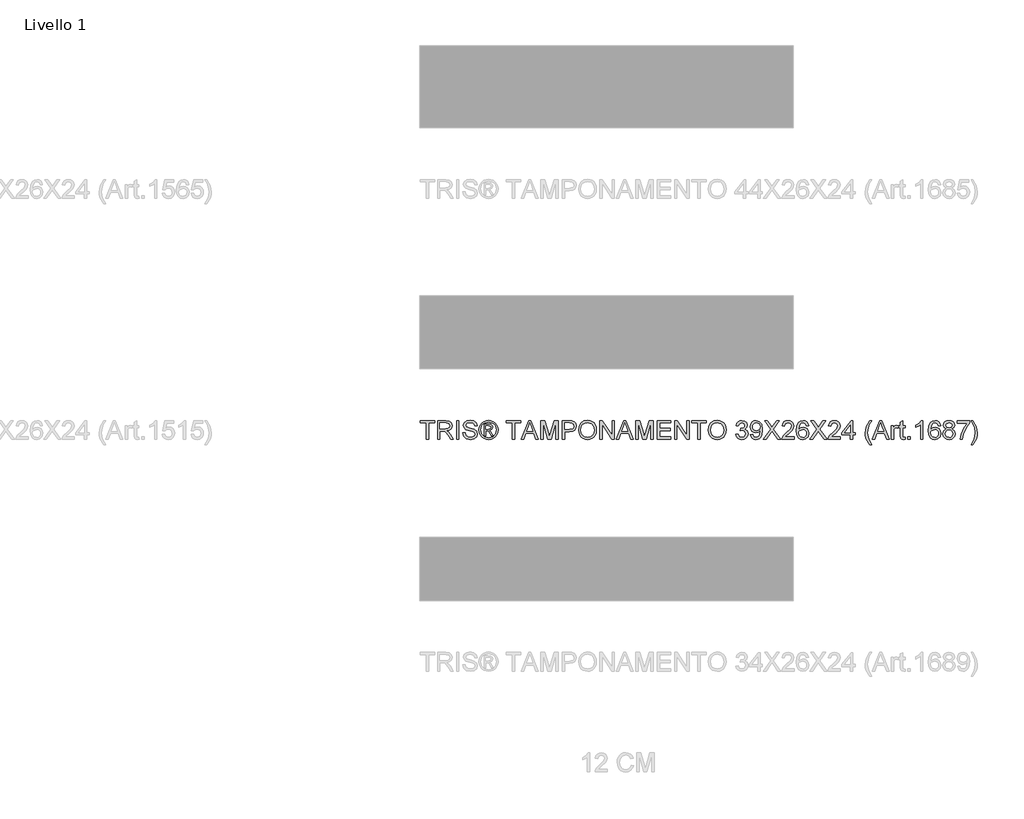
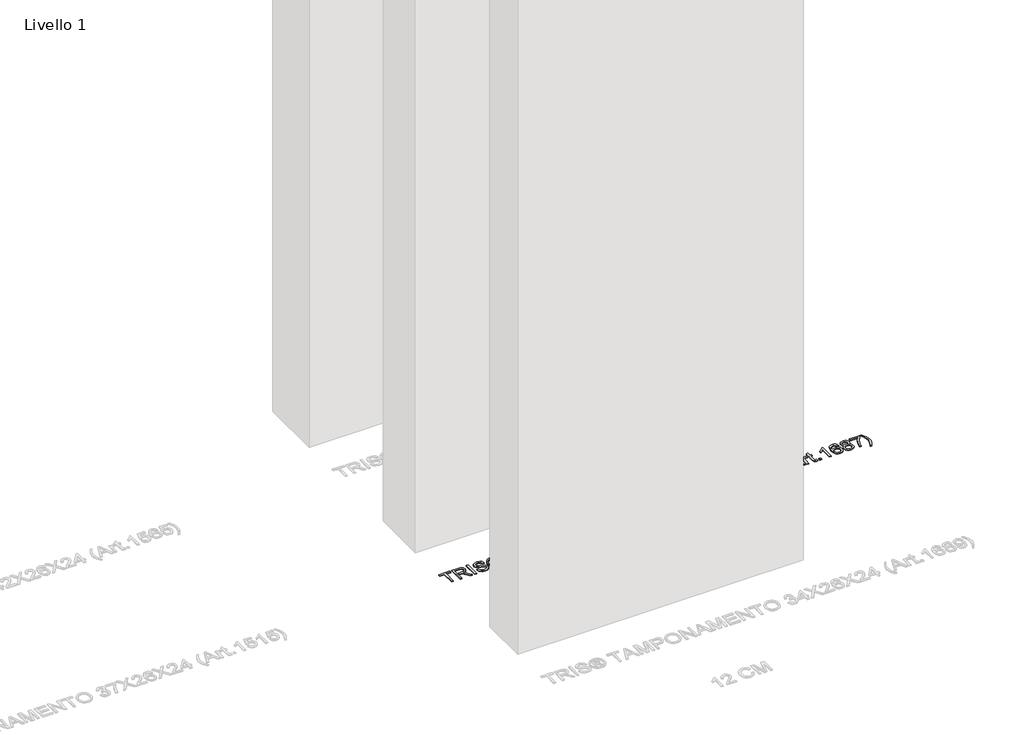
# One storey, part 15 of 16: 1 proxy.
"""IFC4 building model written with IfcOpenShell, lengths in millimetres."""

from ifc_helpers import new_model, si_unit, origin, origin_with_axes, place, context, project, spatial, polyline, outline, extrude, element, save

model = new_model("IFC4")

# Units and contexts
model_context = context("Model", 3, world=origin())
ifc_project = project(units=[si_unit("LENGTHUNIT", "METRE", prefix="MILLI")], contexts=[model_context])

# Site, building, storey
site = spatial("IfcSite", under=ifc_project)
building = spatial("IfcBuilding", under=site)
storey = spatial("IfcBuildingStorey", under=building, Name="Livello 1", Elevation=0.0)

# Proxy
placement = place(None, origin())
element("IfcBuildingElementProxy", 1, Name="100", ObjectType="100", at=placement, inside=storey, context=model_context, shape_type="SweptSolid", body=[
    extrude(outline(polyline([(2625.2646003, 5999.0708569), (2625.2646003, 6086.9701283), (2592.3023735, 6086.9701283), (2592.3023735, 6099.527167), (2670.7838658, 6099.527167), (2670.7838658, 6086.9701283), (2637.8216391, 6086.9701283), (2637.8216391, 5999.0708569), (2625.2646003, 5999.0708569)])), origin_with_axes(), (0.0, 0.0, 1.0), 5.0),
    extrude(outline(polyline([(2684.9105345, 5999.0708569), (2684.9105345, 6099.527167), (2728.1979826, 6099.527167), (2748.2966022, 6096.817103), (2759.2840112, 6087.2276457), (2763.3920268, 6072.0341193), (2761.6905725, 6062.1380936), (2756.5862099, 6053.9343251), (2747.9256546, 6047.9194545), (2735.5556225, 6044.5901224), (2742.6925332, 6039.2190453), (2752.8706017, 6026.2941245), (2769.6214952, 5999.0708569), (2755.0288427, 5999.0708569), (2741.9567692, 6019.8929778), (2732.5144646, 6033.6762899), (2725.880326, 6040.1878012), (2719.9083749, 6042.5790342), (2712.6243114, 6043.0204926), (2697.4675732, 6043.0204926), (2697.4675732, 5999.0708569), (2684.9105345, 5999.0708569)]), holes=[polyline([(2697.4675732, 6055.5775314), (2725.5737577, 6055.5775314), (2739.9088927, 6057.3556277), (2748.0513476, 6063.0455359), (2750.834988, 6071.5681354), (2745.5252245, 6082.6291207), (2728.7375428, 6086.9701283), (2697.4675732, 6086.9701283), (2697.4675732, 6055.5775314)])]), origin_with_axes(), (0.0, 0.0, 1.0), 5.0),
    extrude(outline(polyline([(2786.9364745, 5999.0708569), (2786.9364745, 6099.527167), (2799.4935132, 6099.527167), (2799.4935132, 5999.0708569), (2786.9364745, 5999.0708569)])), origin_with_axes(), (0.0, 0.0, 1.0), 5.0),
    extrude(outline(polyline([(2819.8987012, 6033.6027135), (2832.45574, 6033.6027135), (2836.5024419, 6021.033412), (2846.3862049, 6013.0871609), (2861.4448412, 6010.0582658), (2874.5659657, 6012.3513969), (2883.0395143, 6018.6544418), (2885.8231548, 6027.0789395), (2883.7384901, 6034.914826), (2875.2036278, 6040.6169969), (2856.9198927, 6045.4117256), (2837.2382059, 6051.6044058), (2826.5573653, 6060.9486085), (2823.0379609, 6073.4320709), (2827.3912312, 6087.6445786), (2840.1076855, 6097.6754943), (2858.7225144, 6101.0967969), (2878.5881422, 6097.5160788), (2891.831894, 6086.9946537), (2896.8105637, 6071.2738298), (2884.2535249, 6071.2738298), (2881.9481311, 6078.7663598), (2877.1411397, 6084.1742251), (2859.2130238, 6088.5397581), (2841.2358569, 6084.2232761), (2835.5949997, 6073.7999529), (2839.5926507, 6065.0934123), (2860.0959406, 6058.0791289), (2882.3160131, 6051.7760841), (2894.4683816, 6041.5980155), (2898.3801935, 6027.3977705), (2893.8797705, 6012.3759224), (2880.9303242, 6001.4130389), (2861.9353505, 5997.5012271), (2839.5068116, 6001.7196073), (2825.3188293, 6014.4237988), (2819.8987012, 6033.6027135)])), origin_with_axes(), (0.0, 0.0, 1.0), 5.0),
    extrude(outline(polyline([(2934.48168, 6017.9064151), (2934.48168, 6080.6916089), (2954.7642407, 6080.6916089), (2969.822877, 6078.9625635), (2977.2418306, 6072.9292988), (2980.0009455, 6063.7690371), (2975.2430051, 6051.8496605), (2962.6369154, 6046.1597523), (2967.5420086, 6042.8242889), (2976.1013964, 6030.2917756), (2983.1402052, 6017.9064151), (2972.5452038, 6017.9064151), (2967.0269738, 6027.8637544), (2957.780873, 6042.2847286), (2949.7610455, 6044.5901224), (2943.8994591, 6044.5901224), (2943.8994591, 6017.9064151), (2934.48168, 6017.9064151)]), holes=[polyline([(2943.8994591, 6054.0079015), (2955.8188357, 6054.0079015), (2967.4684322, 6056.3991345), (2970.5831664, 6062.7389675), (2969.087113, 6067.3007043), (2964.9300465, 6070.2928112), (2955.0585463, 6071.2738298), (2943.8994591, 6071.2738298), (2943.8994591, 6054.0079015)])]), origin_with_axes(), (0.0, 0.0, 1.0), 5.0),
    extrude(outline(polyline([(2958.0506531, 6101.0967969), (2970.9449171, 6099.4229338), (2983.5326127, 6094.4013446), (2994.5905323, 6086.2650211), (3002.8954684, 6075.2469554), (3008.0918015, 6062.5243697), (3009.8239126, 6049.2744865), (3008.116327, 6036.1410993), (3002.9935702, 6023.5227468), (2994.7898017, 6012.544535), (2983.839181, 6004.3315694), (2971.2300256, 5999.2088126), (2958.0506531, 5997.5012271), (2944.8896748, 5999.2088126), (2932.2866508, 6004.3315694), (2921.326833, 6012.544535), (2913.0954733, 6023.5227468), (2907.9451254, 6036.1410993), (2906.2283428, 6049.2744865), (2907.9696509, 6062.5243697), (2913.1935752, 6075.2469554), (2921.5261024, 6086.2650211), (2932.5932191, 6094.4013446), (2945.1747833, 6099.4229338), (2958.0506531, 6101.0967969)]), holes=[polyline([(2958.0506531, 6091.6790178), (2937.2285322, 6086.1975761), (2928.2000949, 6079.5358463), (2921.3728182, 6070.5135404), (2915.6461218, 6049.2744865), (2921.2624536, 6028.2193737), (2936.9832776, 6012.5353379), (2958.0506531, 6006.9190061), (2979.1302915, 6012.5353379), (2994.8143272, 6028.2193737), (3000.4061335, 6049.2744865), (2994.7162253, 6070.5135404), (2987.9073427, 6079.5358463), (2978.8605113, 6086.1975761), (2958.0506531, 6091.6790178)])]), origin_with_axes(), (0.0, 0.0, 1.0), 5.0),
    extrude(outline(polyline([(3085.1661452, 5999.0708569), (3085.1661452, 6086.9701283), (3052.2039184, 6086.9701283), (3052.2039184, 6099.527167), (3130.6854107, 6099.527167), (3130.6854107, 6086.9701283), (3097.723184, 6086.9701283), (3097.723184, 5999.0708569), (3085.1661452, 5999.0708569)])), origin_with_axes(), (0.0, 0.0, 1.0), 5.0),
    extrude(outline(polyline([(3133.1134319, 5999.0708569), (3173.2125694, 6099.527167), (3183.9056727, 6099.527167), (3224.0048102, 5999.0708569), (3210.7365329, 5999.0708569), (3199.2340892, 6030.4634538), (3157.8596275, 6030.4634538), (3146.3817092, 5999.0708569), (3133.1134319, 5999.0708569)]), holes=[polyline([(3162.4704151, 6043.0204926), (3194.647827, 6043.0204926), (3185.5979299, 6067.7176372), (3178.5591211, 6086.9701283), (3172.3051271, 6069.8758782), (3162.4704151, 6043.0204926)])]), origin_with_axes(), (0.0, 0.0, 1.0), 5.0),
    extrude(outline(polyline([(3237.4202403, 5999.0708569), (3237.4202403, 6099.527167), (3259.0271761, 6099.527167), (3279.5795169, 6028.7221457), (3283.7243207, 6013.9332895), (3288.2124811, 6029.948419), (3308.4214654, 6099.527167), (3330.0284012, 6099.527167), (3330.0284012, 5999.0708569), (3317.4713624, 5999.0708569), (3317.4713624, 6086.9701283), (3292.2346576, 5999.0708569), (3275.2139839, 5999.0708569), (3249.9772791, 6086.9701283), (3249.9772791, 5999.0708569), (3237.4202403, 5999.0708569)])), origin_with_axes(), (0.0, 0.0, 1.0), 5.0),
    extrude(outline(polyline([(3352.003219, 5999.0708569), (3352.003219, 6099.527167), (3389.232877, 6099.527167), (3404.2424624, 6098.5706739), (3416.4438819, 6093.8740471), (3424.3533448, 6084.1619624), (3427.3454517, 6070.4644894), (3425.3251664, 6058.6248206), (3419.2643105, 6048.7594517), (3407.9304794, 6042.1007876), (3390.0912683, 6039.8812329), (3364.5602578, 6039.8812329), (3364.5602578, 5999.0708569), (3352.003219, 5999.0708569)]), holes=[polyline([(3364.5602578, 6052.4382717), (3390.8270323, 6052.4382717), (3409.3192339, 6057.0490593), (3413.4211181, 6062.5979461), (3414.7884129, 6070.023031), (3411.5633141, 6080.4218288), (3403.0897654, 6086.111737), (3390.5327267, 6086.9701283), (3364.5602578, 6086.9701283), (3364.5602578, 6052.4382717)])]), origin_with_axes(), (0.0, 0.0, 1.0), 5.0),
    extrude(outline(polyline([(3439.9024904, 6047.9746368), (3443.2502166, 6070.1885779), (3453.2933951, 6086.9946537), (3468.6279429, 6097.5712611), (3487.8497771, 6101.0967969), (3501.0260839, 6099.4413279), (3512.8412273, 6094.474921), (3522.6514139, 6086.547064), (3529.81285, 6076.0072448), (3534.1906458, 6063.3643669), (3535.649911, 6049.1273337), (3534.1140037, 6034.7002281), (3529.5062817, 6021.8795406), (3522.0811968, 6011.3213273), (3512.0932006, 6003.6816446), (3500.3792248, 5999.0463314), (3487.7762007, 5997.5012271), (3474.3975588, 5999.2088126), (3462.5149704, 6004.3315694), (3452.7293093, 6012.4065792), (3445.6414496, 6022.9709239), (3439.9024904, 6047.9746368)]), holes=[polyline([(3452.4595292, 6047.8520095), (3454.9703238, 6032.1373169), (3462.5027077, 6020.162758), (3473.8242761, 6012.5843889), (3487.7026243, 6010.0582658), (3501.7833077, 6012.6089143), (3513.1232702, 6020.2608598), (3520.6004718, 6032.6033008), (3523.0928723, 6049.2254356), (3518.8254411, 6069.9494546), (3506.3542415, 6083.6714531), (3487.9233535, 6088.5397581), (3474.4159529, 6086.1945104), (3462.9319033, 6079.1587672), (3455.0776227, 6066.6415824), (3452.4595292, 6047.8520095)])]), origin_with_axes(), (0.0, 0.0, 1.0), 5.0),
    extrude(outline(polyline([(3552.9158393, 5999.0708569), (3552.9158393, 6099.527167), (3566.3557949, 6099.527167), (3618.8402929, 6019.9420288), (3618.8402929, 6099.527167), (3631.3973317, 6099.527167), (3631.3973317, 5999.0708569), (3617.9573761, 5999.0708569), (3565.4728781, 6078.6805207), (3565.4728781, 5999.0708569), (3552.9158393, 5999.0708569)])), origin_with_axes(), (0.0, 0.0, 1.0), 5.0),
    extrude(outline(polyline([(3641.673502, 5999.0708569), (3681.7726395, 6099.527167), (3692.4657429, 6099.527167), (3732.5648803, 5999.0708569), (3719.296603, 5999.0708569), (3707.7941593, 6030.4634538), (3666.4196976, 6030.4634538), (3654.9417793, 5999.0708569), (3641.673502, 5999.0708569)]), holes=[polyline([(3671.0304853, 6043.0204926), (3703.2078971, 6043.0204926), (3694.158, 6067.7176372), (3687.1191912, 6086.9701283), (3680.8651973, 6069.8758782), (3671.0304853, 6043.0204926)])]), origin_with_axes(), (0.0, 0.0, 1.0), 5.0),
    extrude(outline(polyline([(3745.9803104, 5999.0708569), (3745.9803104, 6099.527167), (3767.5872463, 6099.527167), (3788.1395871, 6028.7221457), (3792.2843909, 6013.9332895), (3796.7725512, 6029.948419), (3816.9815355, 6099.527167), (3838.5884713, 6099.527167), (3838.5884713, 5999.0708569), (3826.0314326, 5999.0708569), (3826.0314326, 6086.9701283), (3800.7947277, 5999.0708569), (3783.7740541, 5999.0708569), (3758.5373492, 6086.9701283), (3758.5373492, 5999.0708569), (3745.9803104, 5999.0708569)])), origin_with_axes(), (0.0, 0.0, 1.0), 5.0),
    extrude(outline(polyline([(3860.5632892, 5999.0708569), (3860.5632892, 6099.527167), (3932.7662621, 6099.527167), (3932.7662621, 6086.9701283), (3873.1203279, 6086.9701283), (3873.1203279, 6057.1471612), (3929.6270024, 6057.1471612), (3929.6270024, 6044.5901224), (3873.1203279, 6044.5901224), (3873.1203279, 6011.6278957), (3934.3358919, 6011.6278957), (3934.3358919, 5999.0708569), (3860.5632892, 5999.0708569)])), origin_with_axes(), (0.0, 0.0, 1.0), 5.0),
    extrude(outline(polyline([(3953.1714501, 5999.0708569), (3953.1714501, 6099.527167), (3966.6114057, 6099.527167), (4019.0959036, 6019.9420288), (4019.0959036, 6099.527167), (4031.6529424, 6099.527167), (4031.6529424, 5999.0708569), (4018.2129868, 5999.0708569), (3965.7284889, 6078.6805207), (3965.7284889, 5999.0708569), (3953.1714501, 5999.0708569)])), origin_with_axes(), (0.0, 0.0, 1.0), 5.0),
    extrude(outline(polyline([(4078.7418378, 5999.0708569), (4078.7418378, 6086.9701283), (4045.779611, 6086.9701283), (4045.779611, 6099.527167), (4124.2611033, 6099.527167), (4124.2611033, 6086.9701283), (4091.2988766, 6086.9701283), (4091.2988766, 5999.0708569), (4078.7418378, 5999.0708569)])), origin_with_axes(), (0.0, 0.0, 1.0), 5.0),
    extrude(outline(polyline([(4133.6788824, 6047.9746368), (4137.0266086, 6070.1885779), (4147.069787, 6086.9946537), (4162.4043349, 6097.5712611), (4181.6261691, 6101.0967969), (4194.8024759, 6099.4413279), (4206.6176193, 6094.474921), (4216.4278058, 6086.547064), (4223.589242, 6076.0072448), (4227.9670378, 6063.3643669), (4229.426303, 6049.1273337), (4227.8903957, 6034.7002281), (4223.2826737, 6021.8795406), (4215.8575888, 6011.3213273), (4205.8695926, 6003.6816446), (4194.1556167, 5999.0463314), (4181.5525927, 5997.5012271), (4168.1739508, 5999.2088126), (4156.2913624, 6004.3315694), (4146.5057013, 6012.4065792), (4139.4178415, 6022.9709239), (4133.6788824, 6047.9746368)]), holes=[polyline([(4146.2359212, 6047.8520095), (4148.7467158, 6032.1373169), (4156.2790996, 6020.162758), (4167.600668, 6012.5843889), (4181.4790163, 6010.0582658), (4195.5596997, 6012.6089143), (4206.8996622, 6020.2608598), (4214.3768637, 6032.6033008), (4216.8692642, 6049.2254356), (4212.6018331, 6069.9494546), (4200.1306335, 6083.6714531), (4181.6997455, 6088.5397581), (4168.1923449, 6086.1945104), (4156.7082953, 6079.1587672), (4148.8540147, 6066.6415824), (4146.2359212, 6047.8520095)])]), origin_with_axes(), (0.0, 0.0, 1.0), 5.0),
    extrude(outline(polyline([(4281.2240879, 6025.7545643), (4293.7811267, 6027.3241941), (4300.7095709, 6014.1049678), (4313.6712799, 6010.0582658), (4322.2797186, 6011.450086), (4328.92612, 6015.6255467), (4334.5915027, 6029.4088588), (4328.9751709, 6042.3950932), (4314.7013495, 6047.5331784), (4305.8967071, 6046.1597523), (4307.2946587, 6058.7167911), (4309.3057469, 6058.5696383), (4323.5550428, 6062.1748818), (4328.3007206, 6066.7488813), (4329.8826132, 6073.2603926), (4325.296351, 6083.0828419), (4313.4750762, 6086.9701283), (4301.5066486, 6083.0460537), (4295.3507565, 6071.2738298), (4282.7937178, 6072.8434597), (4286.4909318, 6084.1190428), (4293.0698882, 6092.5374091), (4302.0707343, 6097.7797276), (4313.0336178, 6099.527167), (4328.1780932, 6096.081339), (4338.7730947, 6086.66356), (4342.4396519, 6073.9961566), (4338.9570357, 6062.4201365), (4328.6563398, 6054.1060034), (4342.3415501, 6045.5220902), (4347.1485415, 6029.1881296), (4344.7450458, 6016.9499219), (4337.5345587, 6006.7228024), (4326.651383, 5999.8066209), (4313.2298215, 5997.5012271), (4301.0897157, 5999.4693957), (4291.2059527, 6005.3739018), (4284.3326908, 6014.4054047), (4281.2240879, 6025.7545643)])), origin_with_axes(), (0.0, 0.0, 1.0), 5.0),
    extrude(outline(polyline([(4359.7055802, 6024.1849344), (4372.262619, 6025.7545643), (4377.9034763, 6013.773874), (4388.5965796, 6010.0582658), (4398.7623854, 6012.4494988), (4405.6540414, 6018.8383828), (4409.762057, 6029.7522153), (4411.5769416, 6044.3203423), (4411.5033652, 6046.7728889), (4401.4601867, 6037.257008), (4387.6891373, 6033.6027135), (4376.2388102, 6035.834531), (4366.7076009, 6042.5299833), (4360.278863, 6052.8735987), (4358.1359504, 6066.0499055), (4360.3830962, 6079.6615393), (4367.1245338, 6090.3301172), (4377.2504857, 6097.2279046), (4389.6511746, 6099.527167), (4407.5425023, 6094.2787173), (4419.8542864, 6079.3181828), (4424.0604039, 6051.2119983), (4419.8665492, 6020.7145809), (4414.6518219, 6010.7235191), (4407.3953495, 6003.4363899), (4398.4098318, 5998.9850178), (4388.0079684, 5997.5012271), (4377.2719455, 5999.2517322), (4368.7064264, 6004.5032477), (4362.7160812, 6012.9246797), (4359.7055802, 6024.1849344)]), holes=[polyline([(4411.5033652, 6066.3442111), (4410.1483331, 6074.8545479), (4406.0832371, 6081.4028474), (4399.7740609, 6085.5783081), (4391.6867883, 6086.9701283), (4383.2990789, 6085.4710092), (4376.5791011, 6080.9736518), (4372.1645171, 6074.0911928), (4370.6929892, 6065.4367688), (4372.0848094, 6057.6775244), (4376.26027, 6051.5185667), (4382.8147009, 6047.4994559), (4391.3434318, 6046.1597523), (4405.8257197, 6051.5185667), (4410.0839538, 6057.904385), (4411.5033652, 6066.3442111)])]), origin_with_axes(), (0.0, 0.0, 1.0), 5.0),
    extrude(outline(polyline([(4428.7692935, 5999.0708569), (4467.4950048, 6053.8116978), (4435.0478128, 6099.527167), (4450.1064492, 6099.527167), (4468.3779216, 6073.7999529), (4474.5338137, 6063.7690371), (4481.7443008, 6073.9716311), (4499.8195695, 6099.527167), (4515.098935, 6099.527167), (4482.651743, 6053.664545), (4521.3774544, 5999.0708569), (4506.318818, 5999.0708569), (4480.5180275, 6035.466649), (4475.1469503, 6043.0204926), (4469.2363129, 6034.730885), (4444.048659, 5999.0708569), (4428.7692935, 5999.0708569)])), origin_with_axes(), (0.0, 0.0, 1.0), 5.0),
    extrude(outline(polyline([(4593.5804273, 6011.6278957), (4593.5804273, 5999.0708569), (4527.6559738, 5999.0708569), (4529.0048744, 6007.7283465), (4536.6322944, 6021.0579375), (4552.3531184, 6035.6138018), (4574.0336306, 6056.5340245), (4579.4537587, 6070.758795), (4574.340199, 6082.2735015), (4560.9860825, 6086.9701283), (4547.0678804, 6082.3838661), (4541.7826424, 6069.7042), (4529.2256036, 6071.2738298), (4532.2698271, 6083.420067), (4538.8518492, 6092.2921545), (4548.6283132, 6097.7184139), (4561.2558627, 6099.527167), (4573.9753826, 6097.5160788), (4583.7334526, 6091.4828141), (4589.9414612, 6082.4697052), (4592.0107975, 6071.5190845), (4589.77898, 6059.6119706), (4582.3600264, 6047.3001865), (4564.3705969, 6030.0955718), (4549.9250972, 6018.0167797), (4544.2597145, 6011.6278957), (4593.5804273, 6011.6278957)])), origin_with_axes(), (0.0, 0.0, 1.0), 5.0),
    extrude(outline(polyline([(4670.4922898, 6072.8434597), (4657.935251, 6071.2738298), (4653.1773105, 6081.7462039), (4640.5957463, 6086.9701283), (4629.2649808, 6083.9289705), (4620.6933303, 6072.5123659), (4617.124875, 6050.1328778), (4628.198123, 6060.1515308), (4641.9201215, 6063.4256806), (4653.5206671, 6061.1877318), (4663.2572772, 6054.4738854), (4669.860759, 6044.2161091), (4672.0619196, 6031.3463706), (4667.9171158, 6014.0191286), (4656.5127739, 6001.7563955), (4640.056186, 5997.5012271), (4625.8099558, 6000.3216557), (4614.4638619, 6008.7829416), (4607.0418426, 6023.7189506), (4604.5678362, 6045.9635486), (4607.3146885, 6070.9733929), (4615.5552451, 6088.0737743), (4626.8063028, 6096.6638189), (4641.3805612, 6099.527167), (4652.398627, 6097.7552021), (4661.2216635, 6092.4393073), (4667.402081, 6083.9964155), (4670.4922898, 6072.8434597)]), holes=[polyline([(4617.124875, 6031.5425743), (4620.0311428, 6020.66553), (4627.7566647, 6012.7683299), (4639.0751674, 6010.0582658), (4647.3617093, 6011.4623488), (4653.8762863, 6015.6745976), (4658.0977322, 6022.2964735), (4659.5048808, 6030.9294377), (4658.1161263, 6039.2159796), (4653.9498627, 6045.5343529), (4647.3249211, 6049.5350696), (4638.5601326, 6050.8686418), (4623.3666062, 6045.5343529), (4618.6853078, 6039.3692638), (4617.124875, 6031.5425743)])]), origin_with_axes(), (0.0, 0.0, 1.0), 5.0),
    extrude(outline(polyline([(4676.7708091, 5999.0708569), (4715.4965205, 6053.8116978), (4683.0493285, 6099.527167), (4698.1079649, 6099.527167), (4716.3794373, 6073.7999529), (4722.5353293, 6063.7690371), (4729.7458165, 6073.9716311), (4747.8210851, 6099.527167), (4763.1004507, 6099.527167), (4730.6532587, 6053.664545), (4769.3789701, 5999.0708569), (4754.3203337, 5999.0708569), (4728.5195431, 6035.466649), (4723.148466, 6043.0204926), (4717.2378286, 6034.730885), (4692.0501747, 5999.0708569), (4676.7708091, 5999.0708569)])), origin_with_axes(), (0.0, 0.0, 1.0), 5.0),
    extrude(outline(polyline([(4841.581943, 6011.6278957), (4841.581943, 5999.0708569), (4775.6574894, 5999.0708569), (4777.0063901, 6007.7283465), (4784.6338101, 6021.0579375), (4800.3546341, 6035.6138018), (4822.0351463, 6056.5340245), (4827.4552744, 6070.758795), (4822.3417146, 6082.2735015), (4808.9875982, 6086.9701283), (4795.0693961, 6082.3838661), (4789.7841581, 6069.7042), (4777.2271193, 6071.2738298), (4780.2713428, 6083.420067), (4786.8533648, 6092.2921545), (4796.6298289, 6097.7184139), (4809.2573783, 6099.527167), (4821.9768983, 6097.5160788), (4831.7349682, 6091.4828141), (4837.9429769, 6082.4697052), (4840.0123131, 6071.5190845), (4837.7804957, 6059.6119706), (4830.3615421, 6047.3001865), (4812.3721126, 6030.0955718), (4797.9266129, 6018.0167797), (4792.2612302, 6011.6278957), (4841.581943, 6011.6278957)])), origin_with_axes(), (0.0, 0.0, 1.0), 5.0),
    extrude(outline(polyline([(4894.9493578, 5999.0708569), (4894.9493578, 6022.6153046), (4849.4300922, 6022.6153046), (4849.4300922, 6035.1723434), (4898.0886174, 6097.9575372), (4907.5063965, 6097.9575372), (4907.5063965, 6035.1723434), (4920.0634353, 6035.1723434), (4920.0634353, 6022.6153046), (4907.5063965, 6022.6153046), (4907.5063965, 5999.0708569), (4894.9493578, 5999.0708569)]), holes=[polyline([(4894.9493578, 6035.1723434), (4894.9493578, 6073.9716311), (4864.881136, 6035.1723434), (4894.9493578, 6035.1723434)])]), origin_with_axes(), (0.0, 0.0, 1.0), 5.0),
    extrude(outline(polyline([(4998.5449276, 5970.8175197), (4980.7149136, 6000.2726048), (4975.2518659, 6017.4526939), (4973.4308501, 6035.2459198), (4978.8755036, 6065.7801254), (4998.5449276, 6099.527167), (5007.9627067, 6099.527167), (4996.2150083, 6079.6370138), (4989.151674, 6060.3599973), (4985.9878888, 6035.1723434), (4991.4815933, 6002.9826688), (5007.9627067, 5970.8175197), (4998.5449276, 5970.8175197)])), origin_with_axes(), (0.0, 0.0, 1.0), 5.0),
    extrude(outline(polyline([(5010.3907278, 5999.0708569), (5050.4898653, 6099.527167), (5061.1829686, 6099.527167), (5101.2821061, 5999.0708569), (5088.0138288, 5999.0708569), (5076.5113851, 6030.4634538), (5035.1369234, 6030.4634538), (5023.6590051, 5999.0708569), (5010.3907278, 5999.0708569)]), holes=[polyline([(5039.7477111, 6043.0204926), (5071.9251229, 6043.0204926), (5062.8752258, 6067.7176372), (5055.836417, 6086.9701283), (5049.5824231, 6069.8758782), (5039.7477111, 6043.0204926)])]), origin_with_axes(), (0.0, 0.0, 1.0), 5.0),
    extrude(outline(polyline([(5113.1279064, 5999.0708569), (5113.1279064, 6072.8434597), (5124.1153153, 6072.8434597), (5124.1153153, 6061.9296271), (5131.9144136, 6071.9850683), (5139.7625628, 6074.4130895), (5152.3686525, 6070.5380658), (5148.1747978, 6059.2808768), (5139.3456299, 6061.8560507), (5132.2455074, 6059.3789786), (5127.7205588, 6052.5118481), (5125.6849451, 6037.8456192), (5125.6849451, 5999.0708569), (5113.1279064, 5999.0708569)])), origin_with_axes(), (0.0, 0.0, 1.0), 5.0),
    extrude(outline(polyline([(5186.9005091, 6009.543231), (5188.470139, 5998.7029749), (5179.0768854, 5997.5012271), (5168.5554603, 5999.5858917), (5163.3070105, 6005.0550707), (5161.7864316, 6019.3043666), (5161.7864316, 6060.2864209), (5152.3686525, 6060.2864209), (5152.3686525, 6072.8434597), (5161.7864316, 6072.8434597), (5161.7864316, 6090.7715756), (5174.3434704, 6098.1537409), (5174.3434704, 6072.8434597), (5186.9005091, 6072.8434597), (5186.9005091, 6060.2864209), (5174.3434704, 6060.2864209), (5174.3434704, 6019.6722486), (5175.0056579, 6013.1975255), (5177.1516363, 6010.9043944), (5181.4313301, 6010.0582658), (5186.9005091, 6009.543231)])), origin_with_axes(), (0.0, 0.0, 1.0), 5.0),
    extrude(outline(polyline([(5202.5968076, 5999.0708569), (5202.5968076, 6011.6278957), (5215.1538464, 6011.6278957), (5215.1538464, 5999.0708569), (5202.5968076, 5999.0708569)])), origin_with_axes(), (0.0, 0.0, 1.0), 5.0),
    extrude(outline(polyline([(5282.6479297, 5999.0708569), (5270.090891, 5999.0708569), (5270.090891, 6077.3561455), (5258.1960398, 6068.8825969), (5244.9768134, 6062.5427638), (5244.9768134, 6074.4130895), (5263.3831759, 6086.1607879), (5274.5545258, 6099.527167), (5282.6479297, 6099.527167), (5282.6479297, 5999.0708569)])), origin_with_axes(), (0.0, 0.0, 1.0), 5.0),
    extrude(outline(polyline([(5376.8257205, 6072.8434597), (5364.2686817, 6071.2738298), (5359.5107413, 6081.7462039), (5346.929177, 6086.9701283), (5335.5984116, 6083.9289705), (5327.0267611, 6072.5123659), (5323.4583057, 6050.1328778), (5334.5315538, 6060.1515308), (5348.2535522, 6063.4256806), (5359.8540978, 6061.1877318), (5369.5907079, 6054.4738854), (5376.1941897, 6044.2161091), (5378.3953503, 6031.3463706), (5374.2505465, 6014.0191286), (5362.8462047, 6001.7563955), (5346.3896168, 5997.5012271), (5332.1433865, 6000.3216557), (5320.7972926, 6008.7829416), (5313.3752734, 6023.7189506), (5310.901267, 6045.9635486), (5313.6481192, 6070.9733929), (5321.8886759, 6088.0737743), (5333.1397336, 6096.6638189), (5347.7139919, 6099.527167), (5358.7320577, 6097.7552021), (5367.5550942, 6092.4393073), (5373.7355117, 6083.9964155), (5376.8257205, 6072.8434597)]), holes=[polyline([(5323.4583057, 6031.5425743), (5326.3645735, 6020.66553), (5334.0900954, 6012.7683299), (5345.4085981, 6010.0582658), (5353.6951401, 6011.4623488), (5360.2097171, 6015.6745976), (5364.4311629, 6022.2964735), (5365.8383116, 6030.9294377), (5364.449557, 6039.2159796), (5360.2832935, 6045.5343529), (5353.6583519, 6049.5350696), (5344.8935633, 6050.8686418), (5329.7000369, 6045.5343529), (5325.0187385, 6039.3692638), (5323.4583057, 6031.5425743)])]), origin_with_axes(), (0.0, 0.0, 1.0), 5.0),
    extrude(outline(polyline([(5407.6787572, 6054.400309), (5396.2376271, 6062.1994073), (5392.522019, 6074.3395131), (5394.5453699, 6084.155831), (5400.6154229, 6092.267629), (5410.051596, 6097.7122825), (5422.1733078, 6099.527167), (5434.3685959, 6097.669363), (5443.9273964, 6092.0959507), (5450.1078139, 6083.8553941), (5452.1679531, 6073.9961566), (5448.5013959, 6062.1626191), (5437.3790969, 6054.400309), (5450.7332133, 6044.5533342), (5455.3072128, 6028.3052128), (5453.0386072, 6016.299997), (5446.2327903, 6006.3794459), (5435.7236279, 5999.7207818), (5422.344986, 5997.5012271), (5408.9663441, 5999.7299788), (5398.4571818, 6006.4162341), (5391.6513649, 6016.4318214), (5389.3827593, 6028.6485693), (5394.1406997, 6045.2768355), (5407.6787572, 6054.400309)]), holes=[polyline([(5405.0790577, 6073.9716311), (5409.5304299, 6064.1123936), (5422.4921388, 6060.2864209), (5435.1963304, 6064.0878682), (5439.6109143, 6073.4075454), (5435.0491776, 6083.0583164), (5422.344986, 6086.9701283), (5409.6040063, 6083.1441555), (5405.0790577, 6073.9716311)]), polyline([(5401.939798, 6029.0900277), (5404.0367254, 6019.6354604), (5411.455679, 6012.5598634), (5422.4430879, 6010.0582658), (5430.9902129, 6011.373444), (5437.4036224, 6015.3189784), (5442.750174, 6028.6976202), (5437.2319441, 6042.3337795), (5430.6713819, 6046.3804815), (5422.026155, 6047.7293821), (5413.5985916, 6046.3988756), (5407.2495615, 6042.4073559), (5401.939798, 6029.0900277)])]), origin_with_axes(), (0.0, 0.0, 1.0), 5.0),
    extrude(outline(polyline([(5466.2946217, 6085.4004984), (5466.2946217, 6097.9575372), (5532.2190753, 6097.9575372), (5532.2190753, 6087.8039941), (5513.5184072, 6060.789193), (5499.2077976, 6026.3677009), (5494.547959, 5999.0708569), (5481.9909202, 5999.0708569), (5486.9818526, 6027.3977705), (5500.6793255, 6059.4157668), (5519.6620365, 6085.4004984), (5466.2946217, 6085.4004984)])), origin_with_axes(), (0.0, 0.0, 1.0), 5.0),
    extrude(outline(polyline([(5549.4850036, 5970.8175197), (5540.0672245, 5970.8175197), (5556.5483379, 6002.9826688), (5562.0420423, 6035.1723434), (5558.8782572, 6060.1392681), (5551.8884993, 6079.4408101), (5540.0672245, 6099.527167), (5549.4850036, 6099.527167), (5569.1544276, 6065.7801254), (5574.5990811, 6035.2459198), (5572.7688682, 6017.4526939), (5567.2782294, 6000.2726048), (5549.4850036, 5970.8175197)])), origin_with_axes(), (0.0, 0.0, 1.0), 5.0),
])

save(model, "model.ifc")
